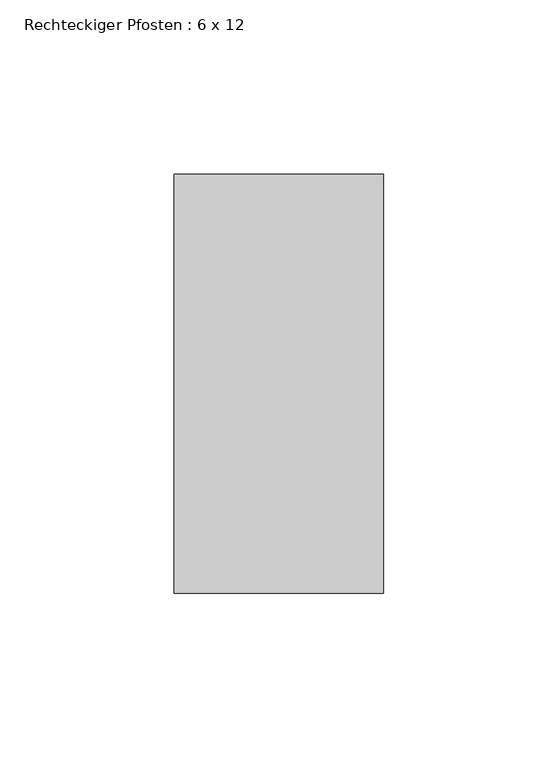
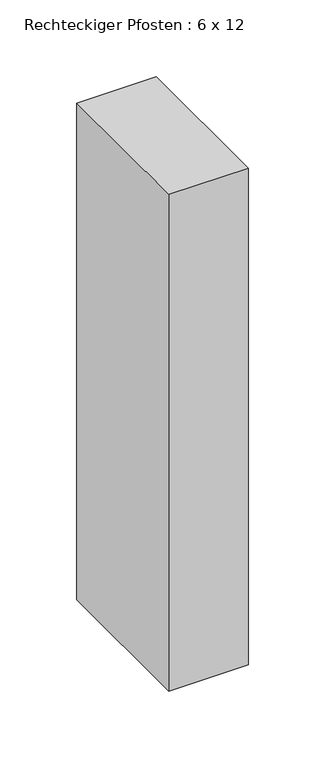
"""IFC4 building model written with IfcOpenShell, lengths in millimetres: member geometry, Rechteckiger Pfosten : 6 x 12."""

from ifc_helpers import new_model, si_unit, frame, origin, place, context, project, spatial, polyline, outline, extrude, source, transform, mapped, element, save


def rechteckiger_pfosten_6_x_12_af33ac19(model_context):
    return source(origin(), model_context, "Body", "SweptSolid", [
        extrude(outline(polyline([(0.0, 60.0), (0.0, -60.0), (-60.0, -60.0), (-60.0, 60.0), (0.0, 60.0)])), frame((0.0, 0.0, -395.625), z_axis=(0.0, 0.0, 1.0), x_axis=(1.0, 0.0, 0.0)), (0.0, 0.0, 1.0), 395.625),
    ])


if __name__ == "__main__":
    model = new_model("IFC4")
    model_context = context("Model", 3, world=origin())
    ifc_project = project(units=[si_unit("LENGTHUNIT", "METRE", prefix="MILLI")], contexts=[model_context])
    site = spatial("IfcSite", under=ifc_project)
    building = spatial("IfcBuilding", under=site)
    placement = place(None, origin())
    rechteckiger_pfosten_6_x_12_shape = rechteckiger_pfosten_6_x_12_af33ac19(model_context)
    element("IfcMember", 1, ObjectType="Rechteckiger Pfosten : 6 x 12", at=placement, inside=building, context=model_context, shape_type="MappedRepresentation", body=[
        mapped(rechteckiger_pfosten_6_x_12_shape, transform((0.0, 0.0, 0.0), x_axis=(1.0, 0.0, 0.0), y_axis=(0.0, 1.0, 0.0), z_axis=(0.0, 0.0, 1.0))),
    ])
    save(model, "model.ifc")
